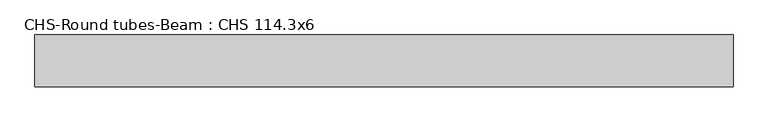
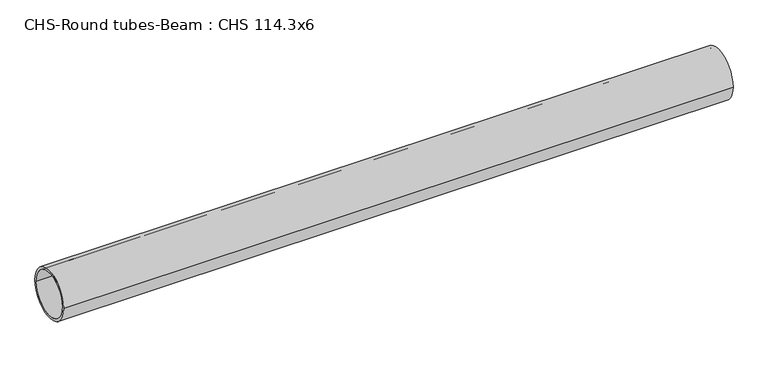
"""IFC4 building model written with IfcOpenShell, lengths in millimetres: beam geometry, CHS-Round tubes-Beam : CHS 114.3x6."""

from ifc_helpers import new_model, si_unit, point, frame, origin, origin_2d, place, context, project, spatial, circle_curve, trimmed, segment, composite_curve, outline, extrude, source, transform, mapped, element, save


def chs_round_tubes_beam_chs_114_3x6_aaf3a00b(model_context):
    return source(origin(), model_context, "Body", "SweptSolid", [
        extrude(outline(composite_curve([segment(trimmed(circle_curve(origin_2d(), 57.15), [point((57.15, 0.0))], [point((-57.15, 0.0))], False, "CARTESIAN"), True, "CONTINUOUS"), segment(trimmed(circle_curve(origin_2d(), 57.15), [point((-57.15, 0.0))], [point((57.15, 0.0))], False, "CARTESIAN"), True, "CONTINUOUS")], self_intersect=False), holes=[composite_curve([segment(trimmed(circle_curve(origin_2d(), 51.15), [point((51.15, 0.0))], [point((-51.15, 0.0))], True, "CARTESIAN"), True, "CONTINUOUS"), segment(trimmed(circle_curve(origin_2d(), 51.15), [point((-51.15, 0.0))], [point((51.15, 0.0))], True, "CARTESIAN"), True, "CONTINUOUS")], self_intersect=False)]), frame((-760.47202, 0.0, 0.0), z_axis=(1.0, 0.0, 0.0), x_axis=(0.0, 1.0, 0.0)), (0.0, 0.0, 1.0), 1532.6847647),
    ])


if __name__ == "__main__":
    model = new_model("IFC4")
    model_context = context("Model", 3, world=origin())
    ifc_project = project(units=[si_unit("LENGTHUNIT", "METRE", prefix="MILLI")], contexts=[model_context])
    site = spatial("IfcSite", under=ifc_project)
    building = spatial("IfcBuilding", under=site)
    placement = place(None, origin())
    chs_round_tubes_beam_chs_114_3x6_shape = chs_round_tubes_beam_chs_114_3x6_aaf3a00b(model_context)
    element("IfcBeam", 1, ObjectType="CHS-Round tubes-Beam : CHS 114.3x6", at=placement, inside=building, context=model_context, shape_type="MappedRepresentation", body=[
        mapped(chs_round_tubes_beam_chs_114_3x6_shape, transform((0.0, 0.0, 0.0), x_axis=(1.0, 0.0, 0.0), y_axis=(0.0, 1.0, 0.0), z_axis=(0.0, 0.0, 1.0))),
    ])
    save(model, "model.ifc")
